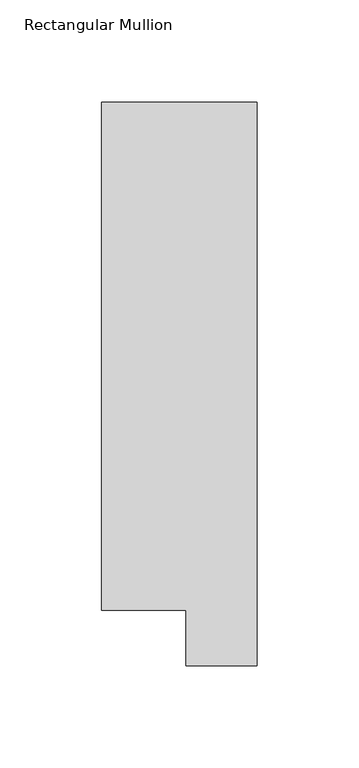
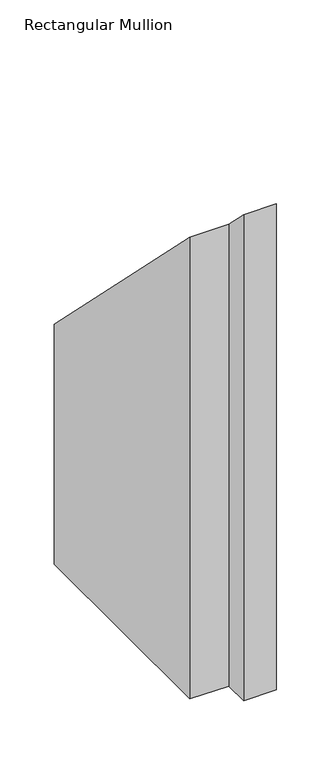
"""IFC4 building model written with IfcOpenShell, lengths in millimetres: member geometry, Rectangular Mullion."""

from ifc_helpers import new_model, si_unit, origin, place, context, project, spatial, faceted_brep, source, transform, mapped, element, save


def rectangular_mullion_1514bca2(model_context):
    return source(origin(), model_context, "Body", "Brep", [
        faceted_brep([(-3.3e-06, 295.9695326, -565.15), (0.0, 19.5667326, -565.15), (-34.9123, 19.5667322, -565.15), (-34.9123003, 46.7447311, -565.15), (-76.2000003, 46.7447306, -565.15), (-76.2000033, 295.9695317, -565.15), (-76.2000033, 295.9695317, -295.9695317), (-3.3e-06, 295.9695326, -295.9695326), (-76.2000003, 46.7447306, -46.7447306), (-34.9123003, 46.7447311, -46.7447311), (-34.9123, 19.5667322, -19.5667322), (0.0, 19.5667326, -19.5667326)], [[[0, 1, 2, 3, 4, 5]], [[6, 7, 0, 5]], [[8, 6, 5, 4]], [[9, 8, 4, 3]], [[10, 9, 3, 2]], [[11, 10, 2, 1]], [[7, 11, 1, 0]], [[7, 6, 8, 9, 10, 11]]]),
    ])


if __name__ == "__main__":
    model = new_model("IFC4")
    model_context = context("Model", 3, world=origin())
    ifc_project = project(units=[si_unit("LENGTHUNIT", "METRE", prefix="MILLI")], contexts=[model_context])
    site = spatial("IfcSite", under=ifc_project)
    building = spatial("IfcBuilding", under=site)
    placement = place(None, origin())
    rectangular_mullion_shape = rectangular_mullion_1514bca2(model_context)
    element("IfcMember", 1, ObjectType="Rectangular Mullion", at=placement, inside=building, context=model_context, shape_type="MappedRepresentation", body=[
        mapped(rectangular_mullion_shape, transform((0.0, 0.0, 0.0), x_axis=(1.0, 0.0, 0.0), y_axis=(0.0, 1.0, 0.0), z_axis=(0.0, 0.0, 1.0))),
    ])
    save(model, "model.ifc")
